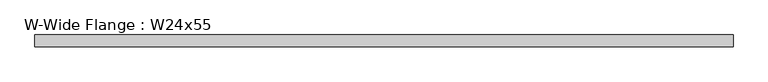
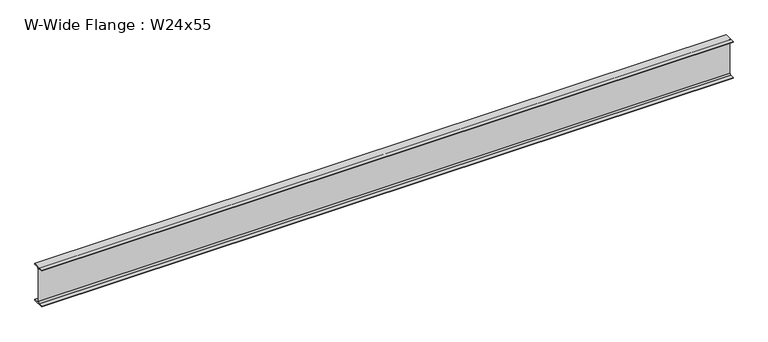
"""IFC4 building model written with IfcOpenShell, lengths in millimetres: beam geometry, W-Wide Flange : W24x55."""

from ifc_helpers import new_model, si_unit, point, frame, frame_2d, origin, place, context, project, spatial, polyline, circle_curve, trimmed, segment, composite_curve, outline, extrude, source, transform, mapped, element, save


def w_wide_flange_w24x55_ea9b0837(model_context):
    return source(origin(), model_context, "Body", "SweptSolid", [
        extrude(outline(composite_curve([segment(polyline([(89.027, -286.893), (89.027, -299.72), (-89.027, -299.72), (-89.027, -286.893), (-28.702, -286.893)]), True, "CONTINUOUS"), segment(trimmed(circle_curve(frame_2d((-28.702, -263.2075)), 23.6855), [point((-28.702, -286.893))], [point((-5.0165, -263.2075))], True, "CARTESIAN"), True, "CONTINUOUS"), segment(polyline([(-5.0165, -263.2075), (-5.0165, 263.2075)]), True, "CONTINUOUS"), segment(trimmed(circle_curve(frame_2d((-28.702, 263.2075)), 23.6855), [point((-5.0165, 263.2075))], [point((-28.702, 286.893))], True, "CARTESIAN"), True, "CONTINUOUS"), segment(polyline([(-28.702, 286.893), (-89.027, 286.893), (-89.027, 299.72), (89.027, 299.72), (89.027, 286.893), (28.702, 286.893)]), True, "CONTINUOUS"), segment(trimmed(circle_curve(frame_2d((28.702, 263.2075)), 23.6855), [point((28.702, 286.893))], [point((5.0165, 263.2075))], True, "CARTESIAN"), True, "CONTINUOUS"), segment(polyline([(5.0165, 263.2075), (5.0165, -263.2075)]), True, "CONTINUOUS"), segment(trimmed(circle_curve(frame_2d((28.702, -263.2075)), 23.6855), [point((5.0165, -263.2075))], [point((28.702, -286.893))], True, "CARTESIAN"), True, "CONTINUOUS"), segment(polyline([(28.702, -286.893), (89.027, -286.893)]), True, "CONTINUOUS")], self_intersect=False)), frame((-5322.57, 0.0, 0.0), z_axis=(1.0, 0.0, 0.0), x_axis=(0.0, 1.0, 0.0)), (0.0, 0.0, 1.0), 10645.14),
    ])


if __name__ == "__main__":
    model = new_model("IFC4")
    model_context = context("Model", 3, world=origin())
    ifc_project = project(units=[si_unit("LENGTHUNIT", "METRE", prefix="MILLI")], contexts=[model_context])
    site = spatial("IfcSite", under=ifc_project)
    building = spatial("IfcBuilding", under=site)
    placement = place(None, origin())
    w_wide_flange_w24x55_shape = w_wide_flange_w24x55_ea9b0837(model_context)
    element("IfcBeam", 1, ObjectType="W-Wide Flange : W24x55", at=placement, inside=building, context=model_context, shape_type="MappedRepresentation", body=[
        mapped(w_wide_flange_w24x55_shape, transform((0.0, 0.0, 0.0), x_axis=(1.0, 0.0, 0.0), y_axis=(0.0, 1.0, 0.0), z_axis=(0.0, 0.0, 1.0))),
    ])
    save(model, "model.ifc")
